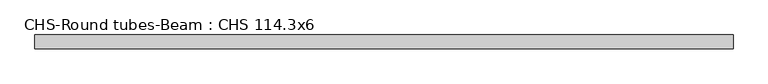
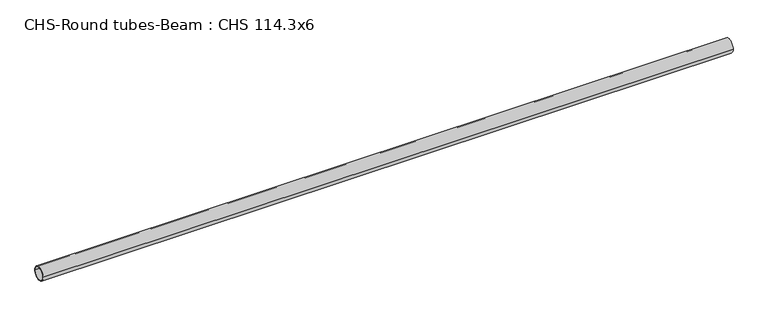
"""IFC4 building model written with IfcOpenShell, lengths in millimetres: beam geometry, CHS-Round tubes-Beam : CHS 114.3x6."""

import ifcopenshell
import ifcopenshell.guid

model = None  # the IFC model being written
_history = None  # IfcOwnerHistory: only IFC2X3 demands one
_inside = {}  # id of a spatial element -> (the spatial element, [elements in it])
_under = {}  # id of a project, library or spatial element -> (it, [spatial elements below it])
_declared = {}  # id of a project -> (the project, [libraries it declares])
_typed = {}  # id of a type object -> (the type object, [elements of that type])
_made_of = {}  # id of a material, layer set ... -> (it, [elements and type objects made of it])


def new_model(schema):
    """Start an empty IFC model of exactly this schema.

    Asked for "IFC4X3", IfcOpenShell would pick the latest addendum, in which some entities
    have other attributes; the version numbers below select the first issue.
    IFC2X3 requires an IfcOwnerHistory on every rooted entity: one is made here for all.
    """
    global model, _history
    if schema == "IFC4X3":
        model = ifcopenshell.file(schema_version=(4, 3, 0, 0))
    else:
        model = ifcopenshell.file(schema=schema)
    _inside.clear()
    _under.clear()
    _declared.clear()
    _typed.clear()
    _made_of.clear()
    _history = None
    if model.schema == "IFC2X3":
        org = make("IfcOrganization", Name="unknown")
        user = make(
            "IfcPersonAndOrganization",
            ThePerson=make("IfcPerson", FamilyName="unknown"),
            TheOrganization=org,
        )
        app = make(
            "IfcApplication",
            ApplicationDeveloper=org,
            Version="unknown",
            ApplicationFullName="unknown",
            ApplicationIdentifier="unknown",
        )
        _history = make(
            "IfcOwnerHistory",
            OwningUser=user,
            OwningApplication=app,
            ChangeAction="ADDED",
            CreationDate=0,
        )
    return model


def make(cls, **values):
    """One entity of the class cls with the attributes given. An attribute that is None is left unset."""
    return model.create_entity(
        cls, **{name: value for name, value in values.items() if value is not None}
    )


def rooted(cls, **values):
    """An entity with a GlobalId (a new one), such as an element, a storey or a relation."""
    return make(cls, GlobalId=ifcopenshell.guid.new(), OwnerHistory=_history, **values)


def si_unit(unit_type, name, prefix=None):
    """IfcSIUnit, for example si_unit("LENGTHUNIT", "METRE", prefix="MILLI")."""
    return make("IfcSIUnit", UnitType=unit_type, Prefix=prefix, Name=name)


def assignment(units):
    """IfcUnitAssignment: the units of a project."""
    return None if units is None else make("IfcUnitAssignment", Units=units)


def point(xyz):
    """IfcCartesianPoint."""
    return None if xyz is None else make("IfcCartesianPoint", Coordinates=xyz)


def direction(xyz):
    """IfcDirection."""
    return None if xyz is None else make("IfcDirection", DirectionRatios=xyz)


def frame(location, z_axis=None, x_axis=None):
    """IfcAxis2Placement3D, a coordinate frame: its origin and axes. An axis left out is left unset."""
    return make(
        "IfcAxis2Placement3D",
        Location=point(location),
        Axis=direction(z_axis),
        RefDirection=direction(x_axis),
    )


def frame_2d(location, x_axis=None):
    """IfcAxis2Placement2D, a coordinate frame in the plane: its origin and x axis."""
    return make(
        "IfcAxis2Placement2D", Location=point(location), RefDirection=direction(x_axis)
    )


def origin():
    """The frame at (0, 0, 0) with its axes left unset."""
    return frame((0.0, 0.0, 0.0))


def origin_2d():
    """The frame at (0, 0) in the plane with its x axis left unset."""
    return frame_2d((0.0, 0.0))


def place(relative_to, where):
    """IfcLocalPlacement: puts the frame where relative to a parent placement (None: the world)."""
    return make(
        "IfcLocalPlacement", PlacementRelTo=relative_to, RelativePlacement=where
    )


def context(
    kind, dimensions, precision=None, world=None, true_north=None, identifier=None
):
    """IfcGeometricRepresentationContext, for example the 3D "Model" context."""
    return make(
        "IfcGeometricRepresentationContext",
        ContextIdentifier=identifier,
        ContextType=kind,
        CoordinateSpaceDimension=dimensions,
        Precision=precision,
        WorldCoordinateSystem=world,
        TrueNorth=true_north,
    )


def project(units=None, contexts=None):
    """IfcProject with its units and contexts."""
    return rooted(
        "IfcProject",
        Name="project",
        RepresentationContexts=contexts,
        UnitsInContext=assignment(units),
    )


def spatial(cls, under=None, at=None, **own):
    """A site, building, storey or space (cls), placed at a placement, below another one or the project."""
    s = rooted(cls, ObjectPlacement=at, **own)
    if under is not None:
        _under.setdefault(under.id(), (under, []))[1].append(s)
    return s


def circle_curve(where, radius):
    """IfcCircle in the frame where."""
    return make("IfcCircle", Position=where, Radius=radius)


def trimmed(basis, trim1, trim2, sense, master):
    """IfcTrimmedCurve: the piece of a basis curve between two trims."""
    return make(
        "IfcTrimmedCurve",
        BasisCurve=basis,
        Trim1=trim1,
        Trim2=trim2,
        SenseAgreement=sense,
        MasterRepresentation=master,
    )


def segment(curve, same_sense, transition):
    """IfcCompositeCurveSegment."""
    return make(
        "IfcCompositeCurveSegment",
        Transition=transition,
        SameSense=same_sense,
        ParentCurve=curve,
    )


def composite_curve(segments, self_intersect=None):
    """IfcCompositeCurve: segments joined end to end."""
    return make("IfcCompositeCurve", Segments=segments, SelfIntersect=self_intersect)


def outline(outer, holes=None, kind="AREA"):
    """IfcArbitraryClosedProfileDef: a profile drawn as a closed curve; with holes, ...WithVoids."""
    if holes is None:
        return make("IfcArbitraryClosedProfileDef", ProfileType=kind, OuterCurve=outer)
    return make(
        "IfcArbitraryProfileDefWithVoids",
        ProfileType=kind,
        OuterCurve=outer,
        InnerCurves=holes,
    )


def extrude(swept, where, along, depth):
    """IfcExtrudedAreaSolid: the profile swept, set in the frame where, extruded along a direction by depth."""
    return make(
        "IfcExtrudedAreaSolid",
        SweptArea=swept,
        Position=where,
        ExtrudedDirection=direction(along),
        Depth=depth,
    )


def shape(context_of_items, identifier, shape_type, items):
    """IfcShapeRepresentation: the items that make up one representation, for example the "Body"."""
    return make(
        "IfcShapeRepresentation",
        ContextOfItems=context_of_items,
        RepresentationIdentifier=identifier,
        RepresentationType=shape_type,
        Items=items,
    )


def source(mapping_origin, context_of_items, identifier, shape_type, items):
    """IfcRepresentationMap: a shape defined once, which mapped items show again and again."""
    return make(
        "IfcRepresentationMap",
        MappingOrigin=mapping_origin,
        MappedRepresentation=shape(context_of_items, identifier, shape_type, items),
    )


def transform(
    local_origin,
    x_axis=None,
    y_axis=None,
    z_axis=None,
    scale=None,
    scale2=None,
    scale3=None,
    uniform=True,
):
    """IfcCartesianTransformationOperator3D, or its non-uniform kind. x_axis, y_axis, z_axis: its Axis1, 2, 3."""
    if uniform:
        return make(
            "IfcCartesianTransformationOperator3D",
            Axis1=direction(x_axis),
            Axis2=direction(y_axis),
            LocalOrigin=point(local_origin),
            Scale=scale,
            Axis3=direction(z_axis),
        )
    return make(
        "IfcCartesianTransformationOperator3DnonUniform",
        Axis1=direction(x_axis),
        Axis2=direction(y_axis),
        LocalOrigin=point(local_origin),
        Scale=scale,
        Axis3=direction(z_axis),
        Scale2=scale2,
        Scale3=scale3,
    )


def mapped(mapping_source, mapping_target):
    """IfcMappedItem: shows the shape of a source again, moved by a transform."""
    return make(
        "IfcMappedItem", MappingSource=mapping_source, MappingTarget=mapping_target
    )


def made_of(thing, what):
    """Note that an element or type object is made of a material, layer set ...; save() writes the relation."""
    if what is not None:
        _made_of.setdefault(what.id(), (what, []))[1].append(thing)
    return thing


def element(
    cls,
    number,
    at=None,
    inside=None,
    cuts=None,
    type_object=None,
    material=None,
    context=None,
    identifier="Body",
    shape_type=None,
    held_by="IfcProductDefinitionShape",
    body=None,
    shapes=None,
    **own,
):
    """One element of the class cls, such as IfcWall. Its Tag is "e" and its number.

    at: its placement. inside: the storey or other place that contains it. cuts: it is an
    opening in that element (IfcRelVoidsElement). A single representation is given by context,
    identifier, shape_type and body (its items); several are given by shapes. held_by: the class
    of the entity that holds the representations. save() writes the other relations.
    """
    e = rooted(cls, Tag="e%d" % number, ObjectPlacement=at, **own)
    if body is not None:
        shapes = [shape(context, identifier, shape_type, body)]
    if shapes is not None:
        e.Representation = make(held_by, Representations=shapes)
    if inside is not None:
        _inside.setdefault(inside.id(), (inside, []))[1].append(e)
    if cuts is not None:
        rooted(
            "IfcRelVoidsElement", RelatingBuildingElement=cuts, RelatedOpeningElement=e
        )
    if type_object is not None:
        _typed.setdefault(type_object.id(), (type_object, []))[1].append(e)
    return made_of(e, material)


def aggregate(whole, parts):
    """IfcRelAggregates: a whole, such as a stair, and the parts it consists of."""
    return rooted("IfcRelAggregates", RelatingObject=whole, RelatedObjects=parts)


def save(model, path):
    """Write the relations noted so far, then the file.

    IfcRelAggregates (storeys below a building ...), IfcRelContainedInSpatialStructure (elements
    in a storey), IfcRelDefinesByType, IfcRelAssociatesMaterial and IfcRelDeclares: one each for
    every whole, place, type object, material and project.
    """
    for whole, parts in _under.values():
        aggregate(whole, parts)
    for where, things in _inside.values():
        rooted(
            "IfcRelContainedInSpatialStructure",
            RelatedElements=things,
            RelatingStructure=where,
        )
    for kind, things in _typed.values():
        rooted("IfcRelDefinesByType", RelatedObjects=things, RelatingType=kind)
    for what, things in _made_of.values():
        rooted("IfcRelAssociatesMaterial", RelatedObjects=things, RelatingMaterial=what)
    for by, libraries in _declared.values():
        rooted("IfcRelDeclares", RelatingContext=by, RelatedDefinitions=libraries)
    model.write(path)


def chs_round_tubes_beam_chs_114_3x6_a2baac6e(model_context):
    return source(origin(), model_context, "Body", "SweptSolid", [
        extrude(outline(composite_curve([segment(trimmed(circle_curve(origin_2d(), 57.15), [point((57.15, 0.0))], [point((-57.15, 0.0))], False, "CARTESIAN"), True, "CONTINUOUS"), segment(trimmed(circle_curve(origin_2d(), 57.15), [point((-57.15, 0.0))], [point((57.15, 0.0))], False, "CARTESIAN"), True, "CONTINUOUS")], self_intersect=False), holes=[composite_curve([segment(trimmed(circle_curve(origin_2d(), 51.15), [point((51.15, 0.0))], [point((-51.15, 0.0))], True, "CARTESIAN"), True, "CONTINUOUS"), segment(trimmed(circle_curve(origin_2d(), 51.15), [point((-51.15, 0.0))], [point((51.15, 0.0))], True, "CARTESIAN"), True, "CONTINUOUS")], self_intersect=False)]), frame((-3058.6648848, 0.0, 0.0), z_axis=(1.0, 0.0, 0.0), x_axis=(0.0, 1.0, 0.0)), (0.0, 0.0, 1.0), 5714.1702543),
    ])


if __name__ == "__main__":
    model = new_model("IFC4")
    model_context = context("Model", 3, world=origin())
    ifc_project = project(units=[si_unit("LENGTHUNIT", "METRE", prefix="MILLI")], contexts=[model_context])
    site = spatial("IfcSite", under=ifc_project)
    building = spatial("IfcBuilding", under=site)
    placement = place(None, origin())
    chs_round_tubes_beam_chs_114_3x6_shape = chs_round_tubes_beam_chs_114_3x6_a2baac6e(model_context)
    element("IfcBeam", 1, ObjectType="CHS-Round tubes-Beam : CHS 114.3x6", at=placement, inside=building, context=model_context, shape_type="MappedRepresentation", body=[
        mapped(chs_round_tubes_beam_chs_114_3x6_shape, transform((0.0, 0.0, 0.0), x_axis=(1.0, 0.0, 0.0), y_axis=(0.0, 1.0, 0.0), z_axis=(0.0, 0.0, 1.0))),
    ])
    save(model, "model.ifc")
